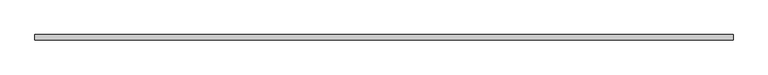
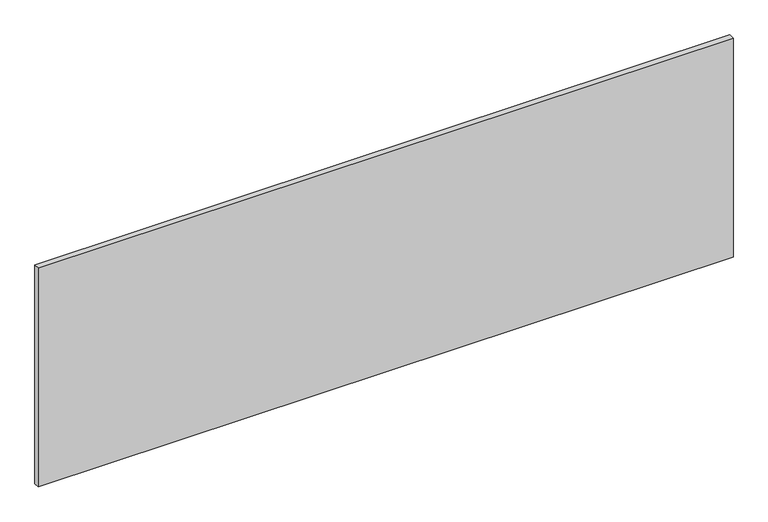
"""IFC4 building model written with IfcOpenShell, lengths in millimetres: furniture geometry."""

import ifcopenshell
import ifcopenshell.guid

model = None  # the IFC model being written
_history = None  # IfcOwnerHistory: only IFC2X3 demands one
_inside = {}  # id of a spatial element -> (the spatial element, [elements in it])
_under = {}  # id of a project, library or spatial element -> (it, [spatial elements below it])
_declared = {}  # id of a project -> (the project, [libraries it declares])
_typed = {}  # id of a type object -> (the type object, [elements of that type])
_made_of = {}  # id of a material, layer set ... -> (it, [elements and type objects made of it])


def new_model(schema):
    """Start an empty IFC model of exactly this schema.

    Asked for "IFC4X3", IfcOpenShell would pick the latest addendum, in which some entities
    have other attributes; the version numbers below select the first issue.
    IFC2X3 requires an IfcOwnerHistory on every rooted entity: one is made here for all.
    """
    global model, _history
    if schema == "IFC4X3":
        model = ifcopenshell.file(schema_version=(4, 3, 0, 0))
    else:
        model = ifcopenshell.file(schema=schema)
    _inside.clear()
    _under.clear()
    _declared.clear()
    _typed.clear()
    _made_of.clear()
    _history = None
    if model.schema == "IFC2X3":
        org = make("IfcOrganization", Name="unknown")
        user = make(
            "IfcPersonAndOrganization",
            ThePerson=make("IfcPerson", FamilyName="unknown"),
            TheOrganization=org,
        )
        app = make(
            "IfcApplication",
            ApplicationDeveloper=org,
            Version="unknown",
            ApplicationFullName="unknown",
            ApplicationIdentifier="unknown",
        )
        _history = make(
            "IfcOwnerHistory",
            OwningUser=user,
            OwningApplication=app,
            ChangeAction="ADDED",
            CreationDate=0,
        )
    return model


def make(cls, **values):
    """One entity of the class cls with the attributes given. An attribute that is None is left unset."""
    return model.create_entity(
        cls, **{name: value for name, value in values.items() if value is not None}
    )


def rooted(cls, **values):
    """An entity with a GlobalId (a new one), such as an element, a storey or a relation."""
    return make(cls, GlobalId=ifcopenshell.guid.new(), OwnerHistory=_history, **values)


def si_unit(unit_type, name, prefix=None):
    """IfcSIUnit, for example si_unit("LENGTHUNIT", "METRE", prefix="MILLI")."""
    return make("IfcSIUnit", UnitType=unit_type, Prefix=prefix, Name=name)


def assignment(units):
    """IfcUnitAssignment: the units of a project."""
    return None if units is None else make("IfcUnitAssignment", Units=units)


def point(xyz):
    """IfcCartesianPoint."""
    return None if xyz is None else make("IfcCartesianPoint", Coordinates=xyz)


def direction(xyz):
    """IfcDirection."""
    return None if xyz is None else make("IfcDirection", DirectionRatios=xyz)


def frame(location, z_axis=None, x_axis=None):
    """IfcAxis2Placement3D, a coordinate frame: its origin and axes. An axis left out is left unset."""
    return make(
        "IfcAxis2Placement3D",
        Location=point(location),
        Axis=direction(z_axis),
        RefDirection=direction(x_axis),
    )


def origin():
    """The frame at (0, 0, 0) with its axes left unset."""
    return frame((0.0, 0.0, 0.0))


def place(relative_to, where):
    """IfcLocalPlacement: puts the frame where relative to a parent placement (None: the world)."""
    return make(
        "IfcLocalPlacement", PlacementRelTo=relative_to, RelativePlacement=where
    )


def context(
    kind, dimensions, precision=None, world=None, true_north=None, identifier=None
):
    """IfcGeometricRepresentationContext, for example the 3D "Model" context."""
    return make(
        "IfcGeometricRepresentationContext",
        ContextIdentifier=identifier,
        ContextType=kind,
        CoordinateSpaceDimension=dimensions,
        Precision=precision,
        WorldCoordinateSystem=world,
        TrueNorth=true_north,
    )


def project(units=None, contexts=None):
    """IfcProject with its units and contexts."""
    return rooted(
        "IfcProject",
        Name="project",
        RepresentationContexts=contexts,
        UnitsInContext=assignment(units),
    )


def spatial(cls, under=None, at=None, **own):
    """A site, building, storey or space (cls), placed at a placement, below another one or the project."""
    s = rooted(cls, ObjectPlacement=at, **own)
    if under is not None:
        _under.setdefault(under.id(), (under, []))[1].append(s)
    return s


def polyline(points):
    """IfcPolyline through the points."""
    return make("IfcPolyline", Points=[point(p) for p in points])


def outline(outer, holes=None, kind="AREA"):
    """IfcArbitraryClosedProfileDef: a profile drawn as a closed curve; with holes, ...WithVoids."""
    if holes is None:
        return make("IfcArbitraryClosedProfileDef", ProfileType=kind, OuterCurve=outer)
    return make(
        "IfcArbitraryProfileDefWithVoids",
        ProfileType=kind,
        OuterCurve=outer,
        InnerCurves=holes,
    )


def extrude(swept, where, along, depth):
    """IfcExtrudedAreaSolid: the profile swept, set in the frame where, extruded along a direction by depth."""
    return make(
        "IfcExtrudedAreaSolid",
        SweptArea=swept,
        Position=where,
        ExtrudedDirection=direction(along),
        Depth=depth,
    )


def shape(context_of_items, identifier, shape_type, items):
    """IfcShapeRepresentation: the items that make up one representation, for example the "Body"."""
    return make(
        "IfcShapeRepresentation",
        ContextOfItems=context_of_items,
        RepresentationIdentifier=identifier,
        RepresentationType=shape_type,
        Items=items,
    )


def source(mapping_origin, context_of_items, identifier, shape_type, items):
    """IfcRepresentationMap: a shape defined once, which mapped items show again and again."""
    return make(
        "IfcRepresentationMap",
        MappingOrigin=mapping_origin,
        MappedRepresentation=shape(context_of_items, identifier, shape_type, items),
    )


def transform(
    local_origin,
    x_axis=None,
    y_axis=None,
    z_axis=None,
    scale=None,
    scale2=None,
    scale3=None,
    uniform=True,
):
    """IfcCartesianTransformationOperator3D, or its non-uniform kind. x_axis, y_axis, z_axis: its Axis1, 2, 3."""
    if uniform:
        return make(
            "IfcCartesianTransformationOperator3D",
            Axis1=direction(x_axis),
            Axis2=direction(y_axis),
            LocalOrigin=point(local_origin),
            Scale=scale,
            Axis3=direction(z_axis),
        )
    return make(
        "IfcCartesianTransformationOperator3DnonUniform",
        Axis1=direction(x_axis),
        Axis2=direction(y_axis),
        LocalOrigin=point(local_origin),
        Scale=scale,
        Axis3=direction(z_axis),
        Scale2=scale2,
        Scale3=scale3,
    )


def mapped(mapping_source, mapping_target):
    """IfcMappedItem: shows the shape of a source again, moved by a transform."""
    return make(
        "IfcMappedItem", MappingSource=mapping_source, MappingTarget=mapping_target
    )


def made_of(thing, what):
    """Note that an element or type object is made of a material, layer set ...; save() writes the relation."""
    if what is not None:
        _made_of.setdefault(what.id(), (what, []))[1].append(thing)
    return thing


def element(
    cls,
    number,
    at=None,
    inside=None,
    cuts=None,
    type_object=None,
    material=None,
    context=None,
    identifier="Body",
    shape_type=None,
    held_by="IfcProductDefinitionShape",
    body=None,
    shapes=None,
    **own,
):
    """One element of the class cls, such as IfcWall. Its Tag is "e" and its number.

    at: its placement. inside: the storey or other place that contains it. cuts: it is an
    opening in that element (IfcRelVoidsElement). A single representation is given by context,
    identifier, shape_type and body (its items); several are given by shapes. held_by: the class
    of the entity that holds the representations. save() writes the other relations.
    """
    e = rooted(cls, Tag="e%d" % number, ObjectPlacement=at, **own)
    if body is not None:
        shapes = [shape(context, identifier, shape_type, body)]
    if shapes is not None:
        e.Representation = make(held_by, Representations=shapes)
    if inside is not None:
        _inside.setdefault(inside.id(), (inside, []))[1].append(e)
    if cuts is not None:
        rooted(
            "IfcRelVoidsElement", RelatingBuildingElement=cuts, RelatedOpeningElement=e
        )
    if type_object is not None:
        _typed.setdefault(type_object.id(), (type_object, []))[1].append(e)
    return made_of(e, material)


def aggregate(whole, parts):
    """IfcRelAggregates: a whole, such as a stair, and the parts it consists of."""
    return rooted("IfcRelAggregates", RelatingObject=whole, RelatedObjects=parts)


def save(model, path):
    """Write the relations noted so far, then the file.

    IfcRelAggregates (storeys below a building ...), IfcRelContainedInSpatialStructure (elements
    in a storey), IfcRelDefinesByType, IfcRelAssociatesMaterial and IfcRelDeclares: one each for
    every whole, place, type object, material and project.
    """
    for whole, parts in _under.values():
        aggregate(whole, parts)
    for where, things in _inside.values():
        rooted(
            "IfcRelContainedInSpatialStructure",
            RelatedElements=things,
            RelatingStructure=where,
        )
    for kind, things in _typed.values():
        rooted("IfcRelDefinesByType", RelatedObjects=things, RelatingType=kind)
    for what, things in _made_of.values():
        rooted("IfcRelAssociatesMaterial", RelatedObjects=things, RelatingMaterial=what)
    for by, libraries in _declared.values():
        rooted("IfcRelDeclares", RelatingContext=by, RelatedDefinitions=libraries)
    model.write(path)


def furniture_456ec3b0(model_context):
    return source(origin(), model_context, "Body", "SweptSolid", [
        extrude(outline(polyline([(914.4, -34.1082318), (914.4, -48.296513), (-914.4, -48.296513), (-914.4, -34.1082318), (914.4, -34.1082318)])), frame((0.0, 0.0, 736.6), z_axis=(0.0, 0.0, 1.0), x_axis=(1.0, 0.0, 0.0)), (0.0, 0.0, 1.0), 609.6),
    ])


if __name__ == "__main__":
    model = new_model("IFC4")
    model_context = context("Model", 3, world=origin())
    ifc_project = project(units=[si_unit("LENGTHUNIT", "METRE", prefix="MILLI")], contexts=[model_context])
    site = spatial("IfcSite", under=ifc_project)
    building = spatial("IfcBuilding", under=site)
    placement = place(None, origin())
    furniture_shape = furniture_456ec3b0(model_context)
    element("IfcFurniture", 1, at=placement, inside=building, context=model_context, shape_type="MappedRepresentation", body=[
        mapped(furniture_shape, transform((0.0, 0.0, 0.0), x_axis=(1.0, 0.0, 0.0), y_axis=(0.0, 1.0, 0.0), z_axis=(0.0, 0.0, 1.0))),
    ])
    save(model, "model.ifc")
